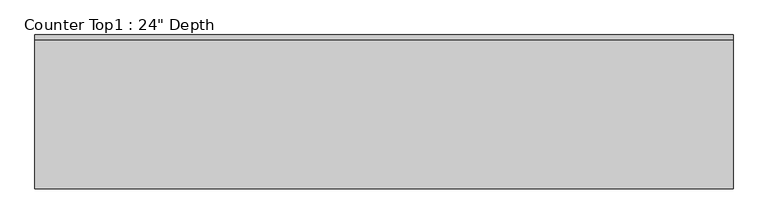
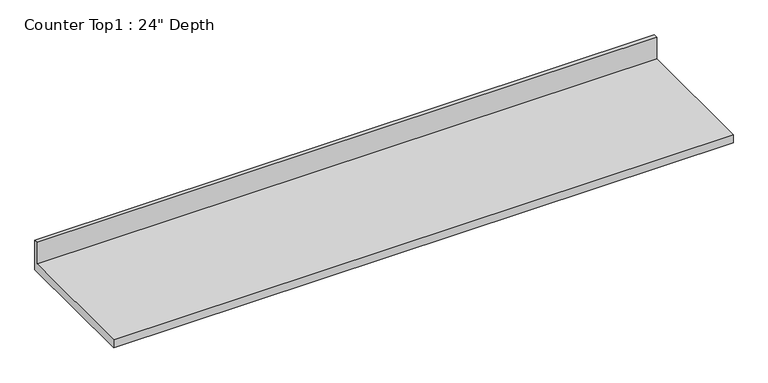
"""IFC4 building model written with IfcOpenShell, lengths in millimetres: furniture geometry."""

from ifc_helpers import new_model, si_unit, frame, origin, place, context, project, spatial, polyline, outline, extrude, source, transform, mapped, element, save


def furniture_15dc2aee(model_context):
    return source(origin(), model_context, "Body", "SweptSolid", [
        extrude(outline(polyline([(0.0, 1016.0), (0.0, 876.3), (-609.6, 876.3), (-609.6, 914.4), (-19.05, 914.4), (-19.05, 1016.0), (0.0, 1016.0)])), frame((-1200.4622951, 0.0, 0.0), z_axis=(1.0, 0.0, 0.0), x_axis=(0.0, 1.0, 0.0)), (0.0, 0.0, 1.0), 2768.6),
    ])


if __name__ == "__main__":
    model = new_model("IFC4")
    model_context = context("Model", 3, world=origin())
    ifc_project = project(units=[si_unit("LENGTHUNIT", "METRE", prefix="MILLI")], contexts=[model_context])
    site = spatial("IfcSite", under=ifc_project)
    building = spatial("IfcBuilding", under=site)
    placement = place(None, origin())
    furniture_shape = furniture_15dc2aee(model_context)
    element("IfcFurniture", 1, ObjectType="Counter Top1 : 24\" Depth", at=placement, inside=building, context=model_context, shape_type="MappedRepresentation", body=[
        mapped(furniture_shape, transform((0.0, 0.0, 0.0), x_axis=(1.0, 0.0, 0.0), y_axis=(0.0, 1.0, 0.0), z_axis=(0.0, 0.0, 1.0))),
    ])
    save(model, "model.ifc")
